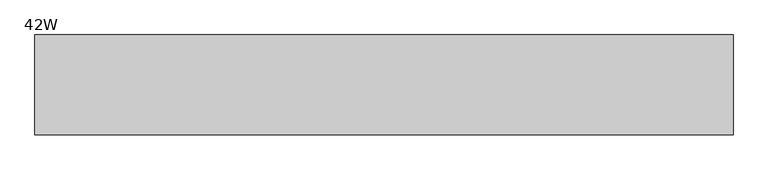
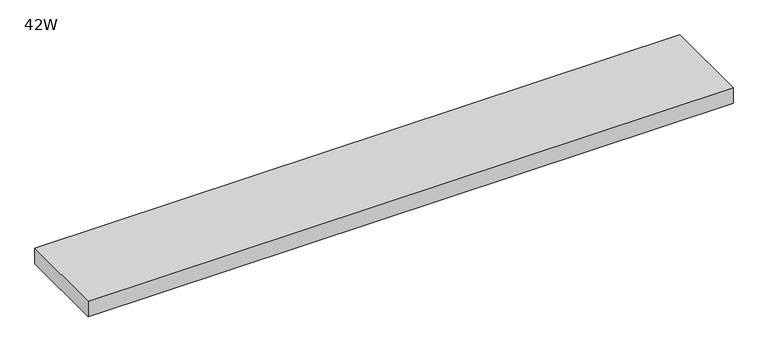
"""IFC4 building model written with IfcOpenShell, lengths in millimetres: furniture geometry, 42W."""

from ifc_helpers import new_model, si_unit, frame, origin, place, context, project, spatial, polyline, outline, extrude, source, transform, mapped, element, save


def furniture_42w_e7b6cdde(model_context):
    return source(origin(), model_context, "Body", "SweptSolid", [
        extrude(outline(polyline([(1066.8, 0.0), (1066.8, -152.4), (0.0, -152.4), (0.0, 0.0), (1066.8, 0.0)])), frame((0.0, 0.0, 1123.95), z_axis=(0.0, 0.0, 1.0), x_axis=(1.0, 0.0, 0.0)), (0.0, 0.0, 1.0), 26.924),
    ])


if __name__ == "__main__":
    model = new_model("IFC4")
    model_context = context("Model", 3, world=origin())
    ifc_project = project(units=[si_unit("LENGTHUNIT", "METRE", prefix="MILLI")], contexts=[model_context])
    site = spatial("IfcSite", under=ifc_project)
    building = spatial("IfcBuilding", under=site)
    placement = place(None, origin())
    furniture_42w_shape = furniture_42w_e7b6cdde(model_context)
    element("IfcFurniture", 1, ObjectType="42W", at=placement, inside=building, context=model_context, shape_type="MappedRepresentation", body=[
        mapped(furniture_42w_shape, transform((0.0, 0.0, 0.0), x_axis=(1.0, 0.0, 0.0), y_axis=(0.0, 1.0, 0.0), z_axis=(0.0, 0.0, 1.0))),
    ])
    save(model, "model.ifc")
